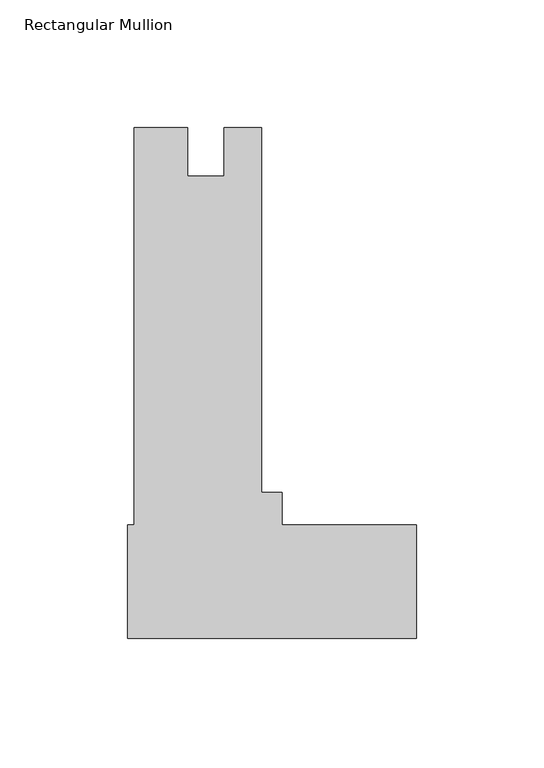
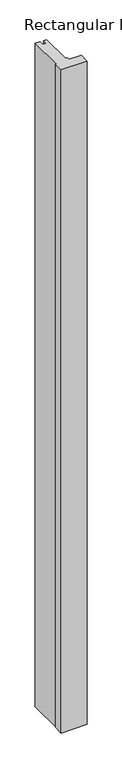
"""IFC4 building model written with IfcOpenShell, lengths in millimetres: member geometry, Rectangular Mullion."""

from ifc_helpers import new_model, si_unit, frame, origin, place, context, project, spatial, polyline, outline, extrude, source, transform, mapped, element, save


def rectangular_mullion_89cfc53c(model_context):
    return source(origin(), model_context, "Body", "SweptSolid", [
        extrude(outline(polyline([(0.0, -44.7376122), (-113.0808, -44.7376122), (-113.0808, -0.2876122), (-110.513495, -0.2876122), (-110.513495, 155.2873878), (-89.6346884, 155.2873878), (-89.6346884, 136.262789), (-75.321795, 136.262789), (-75.321795, 155.287389), (-60.729495, 155.287389), (-60.729495, 12.4123878), (-52.5526, 12.4123878), (-52.5526, -0.2876122), (0.0, -0.2876122), (0.0, -44.7376122)])), frame((0.0, 0.0, -3048.0), z_axis=(0.0, 0.0, 1.0), x_axis=(1.0, 0.0, 0.0)), (0.0, 0.0, 1.0), 3048.0),
    ])


if __name__ == "__main__":
    model = new_model("IFC4")
    model_context = context("Model", 3, world=origin())
    ifc_project = project(units=[si_unit("LENGTHUNIT", "METRE", prefix="MILLI")], contexts=[model_context])
    site = spatial("IfcSite", under=ifc_project)
    building = spatial("IfcBuilding", under=site)
    placement = place(None, origin())
    rectangular_mullion_shape = rectangular_mullion_89cfc53c(model_context)
    element("IfcMember", 1, ObjectType="Rectangular Mullion", at=placement, inside=building, context=model_context, shape_type="MappedRepresentation", body=[
        mapped(rectangular_mullion_shape, transform((0.0, 0.0, 0.0), x_axis=(1.0, 0.0, 0.0), y_axis=(0.0, 1.0, 0.0), z_axis=(0.0, 0.0, 1.0))),
    ])
    save(model, "model.ifc")
